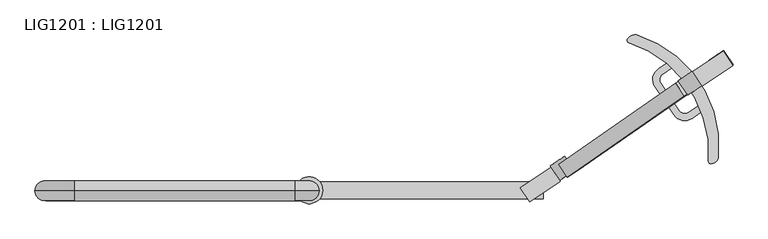
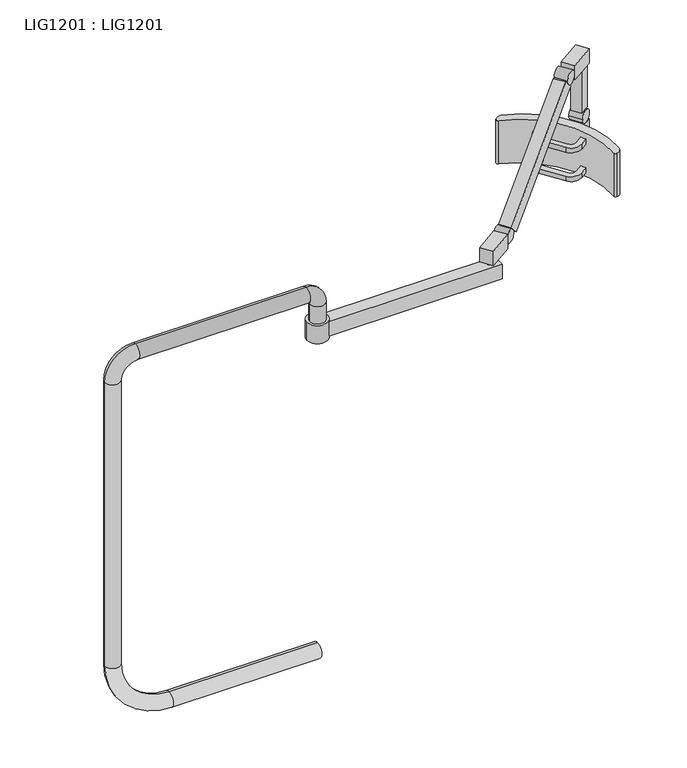
"""IFC4 building model written with IfcOpenShell, lengths in millimetres: proxy geometry, LIG1201 : LIG1201."""

from ifc_helpers import new_model, si_unit, point, frame, frame_2d, origin, place, context, project, spatial, polyline, circle_curve, ellipse_curve, trimmed, segment, composite_curve, outline, extrude, source, transform, mapped, element, save
from ifc_brep_helpers import plane_surface, cylinder_surface, revolved_surface, advanced_brep


def lig1201_lig1201_4019a0c7(model_context):
    return source(origin(), model_context, "Body", "SolidModel", [
        advanced_brep(
        [(560.0796488, -20.1764565, -1555.9143413), (560.0796488, -20.1764565, -1595.9143413), (170.0796488, -20.1764565, -1555.9143413), (170.0796488, -20.1764565, -1595.9143413), (0.0796488, -20.1764565, -1425.9143413), (40.0796488, -20.1764565, -1425.9143413), (40.0796488, -20.1764565, -635.9143413), (0.0796488, -20.1764565, -635.9143413), (80.0796488, -20.1764565, -555.9143413), (80.0796488, -20.1764565, -595.9143413), (530.0796488, -20.1764565, -595.9143413), (530.0796488, -20.1764565, -555.9143413), (580.0796488, -20.1764565, -605.9143413), (540.0796488, -20.1764565, -605.9143413), (540.0796488, -20.1764565, -654.9999476), (580.0796488, -20.1764565, -654.9999476)],
        [
            (0, 1, circle_curve(frame((560.0796488, -20.1764565, -1575.9143413), z_axis=(1.0, 0.0, 0.0), x_axis=(0.0, 0.0, -1.0)), 20.0)),
            (1, 0, circle_curve(frame((560.0796488, -20.1764565, -1575.9143413), z_axis=(1.0, 0.0, 0.0), x_axis=(0.0, 0.0, -1.0)), 20.0)),
            (0, 2),
            (2, 3, circle_curve(frame((170.0796488, -20.1764565, -1575.9143413), z_axis=(1.0, 0.0, 0.0), x_axis=(0.0, 0.0, -1.0)), 20.0)),
            (3, 1),
            (3, 2, circle_curve(frame((170.0796488, -20.1764565, -1575.9143413), z_axis=(1.0, 0.0, 0.0), x_axis=(0.0, 0.0, -1.0)), 20.0)),
            (4, 3, circle_curve(frame((170.0796488, -20.1764565, -1425.9143413), z_axis=(0.0, -1.0, 0.0), x_axis=(0.0, 0.0, -1.0)), 170.0)),
            (2, 5, circle_curve(frame((170.0796488, -20.1764565, -1425.9143413), z_axis=(0.0, 1.0, 0.0), x_axis=(0.0, 0.0, -1.0)), 130.0)),
            (5, 4, circle_curve(frame((20.0796488, -20.1764565, -1425.9143413), z_axis=(0.0, 0.0, -1.0), x_axis=(-1.0, 0.0, 0.0)), 20.0)),
            (4, 5, circle_curve(frame((20.0796488, -20.1764565, -1425.9143413), z_axis=(0.0, 0.0, -1.0), x_axis=(-1.0, 0.0, 0.0)), 20.0)),
            (5, 6),
            (6, 7, circle_curve(frame((20.0796488, -20.1764565, -635.9143413), z_axis=(0.0, 0.0, -1.0), x_axis=(-1.0, 0.0, 0.0)), 20.0)),
            (7, 4),
            (7, 6, circle_curve(frame((20.0796488, -20.1764565, -635.9143413), z_axis=(0.0, 0.0, -1.0), x_axis=(-1.0, 0.0, 0.0)), 20.0)),
            (8, 7, circle_curve(frame((80.0796488, -20.1764565, -635.9143413), z_axis=(0.0, -1.0, 0.0), x_axis=(-1.0, 0.0, 0.0)), 80.0)),
            (6, 9, circle_curve(frame((80.0796488, -20.1764565, -635.9143413), z_axis=(0.0, 1.0, 0.0), x_axis=(-1.0, 0.0, 0.0)), 40.0)),
            (9, 8, circle_curve(frame((80.0796488, -20.1764565, -575.9143413), z_axis=(-1.0, 0.0, 0.0), x_axis=(0.0, 0.0, 1.0)), 20.0)),
            (8, 9, circle_curve(frame((80.0796488, -20.1764565, -575.9143413), z_axis=(-1.0, 0.0, 0.0), x_axis=(0.0, 0.0, 1.0)), 20.0)),
            (9, 10),
            (10, 11, circle_curve(frame((530.0796488, -20.1764565, -575.9143413), z_axis=(-1.0, 0.0, 0.0), x_axis=(0.0, 0.0, 1.0)), 20.0)),
            (11, 8),
            (11, 10, circle_curve(frame((530.0796488, -20.1764565, -575.9143413), z_axis=(-1.0, 0.0, 0.0), x_axis=(0.0, 0.0, 1.0)), 20.0)),
            (12, 11, circle_curve(frame((530.0796488, -20.1764565, -605.9143413), z_axis=(0.0, -1.0, 0.0), x_axis=(0.0, 0.0, 1.0)), 50.0)),
            (10, 13, circle_curve(frame((530.0796488, -20.1764565, -605.9143413), z_axis=(0.0, 1.0, 0.0), x_axis=(0.0, 0.0, 1.0)), 10.0)),
            (13, 12, circle_curve(frame((560.0796488, -20.1764565, -605.9143413), z_axis=(0.0, 0.0, 1.0), x_axis=(1.0, 0.0, 0.0)), 20.0)),
            (12, 13, circle_curve(frame((560.0796488, -20.1764565, -605.9143413), z_axis=(0.0, 0.0, 1.0), x_axis=(1.0, 0.0, 0.0)), 20.0)),
            (14, 15, circle_curve(frame((560.0796488, -20.1764565, -654.9999476), z_axis=(0.0, 0.0, -1.0), x_axis=(1.0, 0.0, 0.0)), 20.0)),
            (15, 14, circle_curve(frame((560.0796488, -20.1764565, -654.9999476), z_axis=(0.0, 0.0, -1.0), x_axis=(1.0, 0.0, 0.0)), 20.0)),
            (13, 14),
            (15, 12),
        ],
        [
            plane_surface(frame((560.0796488, -20.1764565, -1575.9143413), z_axis=(1.0, 0.0, 0.0), x_axis=(0.0, -1.0, 0.0))),
            cylinder_surface(frame((560.0796488, -20.1764565, -1575.9143413), z_axis=(1.0, 0.0, 0.0), x_axis=(0.0, 0.0, -1.0)), 20.0),
            revolved_surface(trimmed(ellipse_curve(frame((170.0796488, -20.1764565, -1575.9143413), z_axis=(1.0, 0.0, 0.0), x_axis=(0.0, 0.0, -1.0)), 20.0, 20.0), [point((170.0796488, -20.1764565, -1555.9143413))], [point((170.0796488, -20.1764565, -1595.9143413))], True, "CARTESIAN"), (170.0796488, -20.1764565, -1425.9143413), (0.0, 1.0, 0.0)),
            revolved_surface(trimmed(ellipse_curve(frame((170.0796488, -20.1764565, -1575.9143413), z_axis=(1.0, 0.0, 0.0), x_axis=(0.0, 0.0, -1.0)), 20.0, 20.0), [point((170.0796488, -20.1764565, -1595.9143413))], [point((170.0796488, -20.1764565, -1555.9143413))], True, "CARTESIAN"), (170.0796488, -20.1764565, -1425.9143413), (0.0, 1.0, 0.0)),
            cylinder_surface(frame((20.0796488, -20.1764565, -1425.9143413), z_axis=(0.0, 0.0, -1.0), x_axis=(-1.0, 0.0, 0.0)), 20.0),
            revolved_surface(trimmed(ellipse_curve(frame((20.0796488, -20.1764565, -635.9143413), z_axis=(0.0, 0.0, -1.0), x_axis=(-1.0, 0.0, 0.0)), 20.0, 20.0), [point((40.0796488, -20.1764565, -635.9143413))], [point((0.0796488, -20.1764565, -635.9143413))], True, "CARTESIAN"), (80.0796488, -20.1764565, -635.9143413), (0.0, 1.0, 0.0)),
            revolved_surface(trimmed(ellipse_curve(frame((20.0796488, -20.1764565, -635.9143413), z_axis=(0.0, 0.0, -1.0), x_axis=(-1.0, 0.0, 0.0)), 20.0, 20.0), [point((0.0796488, -20.1764565, -635.9143413))], [point((40.0796488, -20.1764565, -635.9143413))], True, "CARTESIAN"), (80.0796488, -20.1764565, -635.9143413), (0.0, 1.0, 0.0)),
            cylinder_surface(frame((80.0796488, -20.1764565, -575.9143413), z_axis=(-1.0, 0.0, 0.0), x_axis=(0.0, 0.0, 1.0)), 20.0),
            revolved_surface(trimmed(ellipse_curve(frame((530.0796488, -20.1764565, -575.9143413), z_axis=(-1.0, 0.0, 0.0), x_axis=(0.0, 0.0, 1.0)), 20.0, 20.0), [point((530.0796488, -20.1764565, -595.9143413))], [point((530.0796488, -20.1764565, -555.9143413))], True, "CARTESIAN"), (530.0796488, -20.1764565, -605.9143413), (0.0, 1.0, 0.0)),
            revolved_surface(trimmed(ellipse_curve(frame((530.0796488, -20.1764565, -575.9143413), z_axis=(-1.0, 0.0, 0.0), x_axis=(0.0, 0.0, 1.0)), 20.0, 20.0), [point((530.0796488, -20.1764565, -555.9143413))], [point((530.0796488, -20.1764565, -595.9143413))], True, "CARTESIAN"), (530.0796488, -20.1764565, -605.9143413), (0.0, 1.0, 0.0)),
            plane_surface(frame((560.0796488, -20.1764565, -654.9999476), z_axis=(0.0, 0.0, -1.0), x_axis=(0.0, -1.0, 0.0))),
            cylinder_surface(frame((560.0796488, -20.1764565, -605.9143413), z_axis=(0.0, 0.0, 1.0), x_axis=(1.0, 0.0, 0.0)), 20.0),
        ],
        [
            (0, [[1, 2]]),
            (1, [[-1, 3, 4, 5]]),
            (1, [[-2, -5, 6, -3]]),
            (2, [[7, -4, 8, 9]]),
            (3, [[-8, -6, -7, 10]]),
            (4, [[-9, 11, 12, 13]]),
            (4, [[-10, -13, 14, -11]]),
            (5, [[15, -12, 16, 17]]),
            (6, [[-16, -14, -15, 18]]),
            (7, [[-17, 19, 20, 21]]),
            (7, [[-18, -21, 22, -19]]),
            (8, [[23, -20, 24, 25]]),
            (9, [[-24, -22, -23, 26]]),
            (10, [[27, 28]]),
            (11, [[-25, 29, -28, 30]]),
            (11, [[-26, -30, -27, -29]]),
        ],
    ),
        extrude(outline(polyline([(-38.4581279, 1e-07), (-2.018811, 0.0), (-37.4867654, -364.1484075), (-73.9275108, -364.163074), (-38.4581279, 1e-07)])), frame((1330.1390277, 214.1559795, -408.6661665), z_axis=(0.561592913661984, -0.8272804004768972, 0.014850532361777413), x_axis=(0.5683756678838279, 0.37266981755069717, -0.733530031589943)), (0.0, 0.0, 1.0), 31.5874191),
        extrude(outline(composite_curve([segment(trimmed(circle_curve(frame_2d((560.0796488, -18.9676558)), 27.5), [point((532.5796488, -18.9676558))], [point((587.5796488, -18.9676558))], False, "CARTESIAN"), True, "CONTINUOUS"), segment(trimmed(circle_curve(frame_2d((560.0796488, -18.9676558)), 27.5), [point((587.5796488, -18.9676558))], [point((532.5796488, -18.9676558))], False, "CARTESIAN"), True, "CONTINUOUS")], self_intersect=False)), frame((0.0, 0.0, -704.9999476), z_axis=(0.0, 0.0, 1.0), x_axis=(1.0, 0.0, 0.0)), (0.0, 0.0, 1.0), 50.0),
        extrude(outline(composite_curve([segment(polyline([(1356.8709181, 155.4971291), (1364.7049483, 143.8906274), (1341.4994801, 128.227653)]), True, "CONTINUOUS"), segment(trimmed(circle_curve(frame_2d((1326.393327, 150.6081629)), 27.0015386), [point((1341.4994801, 128.227653))], [point((1304.007667, 135.5096428))], False, "CARTESIAN"), True, "CONTINUOUS"), segment(polyline([(1304.007667, 135.5096428), (1265.9517641, 191.9328222)]), True, "CONTINUOUS"), segment(trimmed(circle_curve(frame_2d((1288.3358146, 207.0302566)), 26.9995971), [point((1265.9517641, 191.9328222))], [point((1273.2380995, 229.4141178))], False, "CARTESIAN"), True, "CONTINUOUS"), segment(polyline([(1273.2380995, 229.4141178), (1296.4527237, 245.072175), (1304.2852325, 233.4597032), (1281.0292599, 217.7737568)]), True, "CONTINUOUS"), segment(trimmed(circle_curve(frame_2d((1288.2712923, 207.0367249)), 12.951096), [point((1281.0292599, 217.7737568))], [point((1277.5346286, 199.7941466))], True, "CARTESIAN"), True, "CONTINUOUS"), segment(polyline([(1277.5346286, 199.7941466), (1315.6142457, 143.3435262)]), True, "CONTINUOUS"), segment(trimmed(circle_curve(frame_2d((1326.3947773, 150.6156963)), 13.0040117), [point((1315.6142457, 143.3435262))], [point((1333.6654499, 139.8341546))], True, "CARTESIAN"), True, "CONTINUOUS"), segment(polyline([(1333.6654499, 139.8341546), (1356.8709181, 155.4971291)]), True, "CONTINUOUS")], self_intersect=False)), frame((0.0, 0.0, -544.9999824), z_axis=(0.0, 0.0, 1.0), x_axis=(1.0, 0.0, 0.0)), (0.0, 0.0, 1.0), 13.3200445),
        extrude(outline(composite_curve([segment(polyline([(1356.8709181, 155.4971291), (1364.7049483, 143.8906274), (1341.4994801, 128.227653)]), True, "CONTINUOUS"), segment(trimmed(circle_curve(frame_2d((1326.393327, 150.6081629)), 27.0015386), [point((1341.4994801, 128.227653))], [point((1304.007667, 135.5096428))], False, "CARTESIAN"), True, "CONTINUOUS"), segment(polyline([(1304.007667, 135.5096428), (1265.9517641, 191.9328222)]), True, "CONTINUOUS"), segment(trimmed(circle_curve(frame_2d((1288.3358146, 207.0302566)), 26.9995971), [point((1265.9517641, 191.9328222))], [point((1273.2380995, 229.4141178))], False, "CARTESIAN"), True, "CONTINUOUS"), segment(polyline([(1273.2380995, 229.4141178), (1296.4527237, 245.072175), (1304.2852325, 233.4597032), (1281.0292599, 217.7737568)]), True, "CONTINUOUS"), segment(trimmed(circle_curve(frame_2d((1288.2712923, 207.0367249)), 12.951096), [point((1281.0292599, 217.7737568))], [point((1277.5346286, 199.7941466))], True, "CARTESIAN"), True, "CONTINUOUS"), segment(polyline([(1277.5346286, 199.7941466), (1315.6142457, 143.3435262)]), True, "CONTINUOUS"), segment(trimmed(circle_curve(frame_2d((1326.3947773, 150.6156963)), 13.0040117), [point((1315.6142457, 143.3435262))], [point((1333.6654499, 139.8341546))], True, "CARTESIAN"), True, "CONTINUOUS"), segment(polyline([(1333.6654499, 139.8341546), (1356.8709181, 155.4971291)]), True, "CONTINUOUS")], self_intersect=False)), frame((0.0, 0.0, -624.9999684), z_axis=(0.0, 0.0, 1.0), x_axis=(1.0, 0.0, 0.0)), (0.0, 0.0, 1.0), 13.3200445),
        extrude(outline(polyline([(1341.4137265, 222.6878087), (1405.1560373, 265.6825402), (1424.7295869, 236.6635597), (1360.987276, 193.6688281), (1341.4137265, 222.6878087)])), frame((0.0, 0.0, -594.9999827), z_axis=(0.0, 0.0, 1.0), x_axis=(1.0, 0.0, 0.0)), (0.0, 0.0, 1.0), 39.999993),
        advanced_brep(
        [(1212.3634813, 283.1663095, -635.1989813), (1209.86091, 290.8258047, -635.1989813), (1227.707546, 298.8362556, -635.1989813), (1395.4648355, 50.125846, -635.1989813), (1380.9985608, 35.4467868, -635.1989813), (1375.0381671, 39.7772662, -635.1989813), (1212.3703779, 283.1640456, -514.8433625), (1375.0381671, 39.7772662, -514.8433625), (1380.9985608, 35.4467868, -514.8433625), (1395.4648355, 50.125846, -514.8433625), (1227.707546, 298.8362556, -514.8433625), (1209.86091, 290.8258047, -514.8433625)],
        [
            (0, 1, circle_curve(frame((1213.9262126, 287.9154751, -635.1989813), z_axis=(0.0, 0.0, -1.0), x_axis=(-0.9876883405951373, -0.15643446504023406, 0.0)), 4.9996704)),
            (1, 2, circle_curve(frame((1225.6580495, 279.5167124, -635.1989813), z_axis=(0.0, 0.0, -1.0), x_axis=(-0.9876883405951373, -0.15643446504023406, 0.0)), 19.4279486)),
            (2, 3, circle_curve(frame((1159.1591654, 71.667724, -635.1989813), z_axis=(0.0, 0.0, -1.0), x_axis=(-0.9876883405951373, -0.15643446504023406, 0.0)), 237.2855289)),
            (3, 4, circle_curve(frame((1379.2878043, 51.6005614, -635.1989813), z_axis=(0.0, 0.0, -1.0), x_axis=(-0.9876883405951373, -0.15643446504023406, 0.0)), 16.2441105)),
            (4, 5, circle_curve(frame((1380.1836037, 40.5922233, -635.1989813), z_axis=(0.0, 0.0, -1.0), x_axis=(-0.9876883405951373, -0.15643446504023406, 0.0)), 5.209575)),
            (5, 0, circle_curve(frame((1138.0974701, 57.4706992, -635.1989813), z_axis=(0.0, 0.0, 1.0), x_axis=(-0.9876883405951373, -0.15643446504023406, 0.0)), 237.6004029)),
            (6, 7, circle_curve(frame((1138.0974701, 57.4706992, -514.8433625), z_axis=(0.0, 0.0, -1.0), x_axis=(-0.9876883405951373, -0.15643446504023406, 0.0)), 237.6004029)),
            (7, 8, circle_curve(frame((1380.1836037, 40.5922233, -514.8433625), z_axis=(0.0, 0.0, 1.0), x_axis=(-0.9876883405951373, -0.15643446504023406, 0.0)), 5.209575)),
            (8, 9, circle_curve(frame((1379.2878043, 51.6005614, -514.8433625), z_axis=(0.0, 0.0, 1.0), x_axis=(-0.9876883405951373, -0.15643446504023406, 0.0)), 16.2441105)),
            (9, 10, circle_curve(frame((1159.1591654, 71.667724, -514.8433625), z_axis=(0.0, 0.0, 1.0), x_axis=(-0.9876883405951373, -0.15643446504023406, 0.0)), 237.2855289)),
            (10, 11, circle_curve(frame((1225.6580495, 279.5167124, -514.8433625), z_axis=(0.0, 0.0, 1.0), x_axis=(-0.9876883405951373, -0.15643446504023406, 0.0)), 19.4279486)),
            (11, 6, circle_curve(frame((1213.9262126, 287.9154751, -514.8433625), z_axis=(0.0, 0.0, 1.0), x_axis=(-0.9876883405951373, -0.15643446504023406, 0.0)), 4.9996704)),
            (6, 0),
            (5, 7),
            (4, 8),
            (3, 9),
            (2, 10),
            (1, 11),
        ],
        [
            plane_surface(frame((903.4223224, 20.3018072, -635.1989813), z_axis=(0.0, 0.0, -1.0), x_axis=(0.15643446504023403, -0.9876883405951372, 0.0))),
            plane_surface(frame((903.4223224, 20.3018072, -514.8433625), z_axis=(0.0, 0.0, 1.0), x_axis=(-0.15643446504023403, 0.9876883405951372, 0.0))),
            revolved_surface(polyline([(903.422322434963, 20.301807278994417, -635.1989813), (903.422322434963, 20.301807278994417, -514.8433625)]), (1138.0974701, 57.4706992, -635.1989813), (0.0, 0.0, -1.0000000000000002)),
            cylinder_surface(frame((1380.1836037, 40.5922233, -635.1989813), z_axis=(0.0, 0.0, 1.0000000000000002), x_axis=(-0.9876883405951373, -0.15643446504023406, 0.0)), 5.209575),
            cylinder_surface(frame((1379.2878043, 51.6005614, -635.1989813), z_axis=(0.0, 0.0, 1.0000000000000002), x_axis=(-0.9876883405951373, -0.15643446504023406, 0.0)), 16.2441105),
            cylinder_surface(frame((1159.1591654, 71.667724, -635.1989813), z_axis=(0.0, 0.0, 1.0000000000000002), x_axis=(-0.9876883405951373, -0.15643446504023406, 0.0)), 237.2855289),
            cylinder_surface(frame((1225.6580495, 279.5167124, -635.1989813), z_axis=(0.0, 0.0, 1.0000000000000002), x_axis=(-0.9876883405951373, -0.15643446504023406, 0.0)), 19.4279486),
            cylinder_surface(frame((1213.9262126, 287.9154751, -635.1989813), z_axis=(0.0, 0.0, 1.0000000000000002), x_axis=(-0.9876883405951373, -0.15643446504023406, 0.0)), 4.9996704),
        ],
        [
            (0, [[1, 2, 3, 4, 5, 6]]),
            (1, [[7, 8, 9, 10, 11, 12]]),
            (2, [[-7, 13, -6, 14]]),
            (3, [[-8, -14, -5, 15]]),
            (4, [[-9, -15, -4, 16]]),
            (5, [[-10, -16, -3, 17]]),
            (6, [[-11, -17, -2, 18]]),
            (7, [[-12, -18, -1, -13]]),
        ],
    ),
        extrude(outline(polyline([(1037.3998685, -1.4676555), (1037.3998685, -36.4676562), (580.0796488, -36.4676562), (580.0796488, -1.4676555), (1037.3998685, -1.4676555)])), frame((0.0, 0.0, -699.999969), z_axis=(0.0, 0.0, 1.0), x_axis=(1.0, 0.0, 0.0)), (0.0, 0.0, 1.0), 40.0000294),
        extrude(outline(polyline([(1403.9396804, 260.4611317), (1419.5974575, 237.2475225), (1394.7263303, 220.4717354), (1379.0685532, 243.6853446), (1403.9396804, 260.4611317)])), frame((0.0, 0.0, -520.2988823), z_axis=(0.0, 0.0, 1.0), x_axis=(1.0, 0.0, 0.0)), (0.0, 0.0, 1.0), 120.298952),
        extrude(outline(polyline([(1342.612739, 223.3230027), (1404.7905569, 265.2624704), (1424.3641065, 236.2434899), (1362.1862885, 194.3040221), (1342.612739, 223.3230027)])), frame((0.0, 0.0, -399.9999304), z_axis=(0.0, 0.0, 1.0), x_axis=(1.0, 0.0, 0.0)), (0.0, 0.0, 1.0), 39.999993),
        extrude(outline(composite_curve([segment(trimmed(circle_curve(frame_2d((0.0, -17.4999654)), 17.4999655), [point((0.0, -34.999931))], [point((0.0, 0.0))], False, "CARTESIAN"), True, "CONTINUOUS"), segment(trimmed(circle_curve(frame_2d((0.0, -17.4999654)), 17.4999655), [point((0.0, 0.0))], [point((0.0, -34.999931))], False, "CARTESIAN"), True, "CONTINUOUS")], self_intersect=False)), frame((1332.5073729, 175.6096031, -382.0032832), z_axis=(-0.554767577765324, 0.832005369369931, 0.0), x_axis=(0.0, 0.0, -1.0)), (0.0, 0.0, 1.0), 35.0445151),
        extrude(outline(composite_curve([segment(trimmed(circle_curve(frame_2d((0.0, -17.4999655)), 17.4999655), [point((0.0, -34.999931))], [point((0.0, 0.0))], False, "CARTESIAN"), True, "CONTINUOUS"), segment(trimmed(circle_curve(frame_2d((0.0, -17.4999655)), 17.4999655), [point((0.0, 0.0))], [point((0.0, -34.999931))], False, "CARTESIAN"), True, "CONTINUOUS")], self_intersect=False)), frame((1071.8797468, 1.8808664, -627.4598377), z_axis=(-0.554767577765324, 0.832005369369931, 0.0), x_axis=(0.0, 0.0, -1.0)), (0.0, 0.0, 1.0), 35.0445151),
        extrude(outline(composite_curve([segment(trimmed(circle_curve(frame_2d((0.0, -17.4999655)), 17.4999655), [point((0.0, -34.999931))], [point((0.0, 0.0))], False, "CARTESIAN"), True, "CONTINUOUS"), segment(trimmed(circle_curve(frame_2d((0.0, -17.4999655)), 17.4999655), [point((0.0, 0.0))], [point((0.0, -34.999931))], False, "CARTESIAN"), True, "CONTINUOUS")], self_intersect=False)), frame((1396.2143725, 218.1953957, -537.4999476), z_axis=(-0.554767577765324, 0.832005369369931, 0.0), x_axis=(0.0, 0.0, -1.0)), (0.0, 0.0, 1.0), 35.0445151),
        extrude(outline(polyline([(990.5750725, -14.1390421), (1052.7528904, 27.8004256), (1072.3264399, -1.2185549), (1010.148622, -43.1580227), (990.5750725, -14.1390421)])), frame((0.0, 0.0, -649.9999476), z_axis=(0.0, 0.0, 1.0), x_axis=(1.0, 0.0, 0.0)), (0.0, 0.0, 1.0), 40.0000084),
        extrude(outline(composite_curve([segment(trimmed(circle_curve(frame_2d((1015.0796488, -18.9676558)), 7.5), [point((1007.5796488, -18.9676558))], [point((1022.5796488, -18.9676558))], False, "CARTESIAN"), True, "CONTINUOUS"), segment(trimmed(circle_curve(frame_2d((1015.0796488, -18.9676558)), 7.5), [point((1022.5796488, -18.9676558))], [point((1007.5796488, -18.9676558))], False, "CARTESIAN"), True, "CONTINUOUS")], self_intersect=False)), frame((0.0, 0.0, -659.9999476), z_axis=(0.0, 0.0, 1.0), x_axis=(1.0, 0.0, 0.0)), (0.0, 0.0, 1.0), 10.0),
    ])


if __name__ == "__main__":
    model = new_model("IFC4")
    model_context = context("Model", 3, world=origin())
    ifc_project = project(units=[si_unit("LENGTHUNIT", "METRE", prefix="MILLI")], contexts=[model_context])
    site = spatial("IfcSite", under=ifc_project)
    building = spatial("IfcBuilding", under=site)
    placement = place(None, origin())
    lig1201_lig1201_shape = lig1201_lig1201_4019a0c7(model_context)
    element("IfcBuildingElementProxy", 1, Name="LIG1201 : LIG1201", ObjectType="LIG1201 : LIG1201", at=placement, inside=building, context=model_context, shape_type="MappedRepresentation", body=[
        mapped(lig1201_lig1201_shape, transform((0.0, 0.0, 0.0), x_axis=(1.0, 0.0, 0.0), y_axis=(0.0, 1.0, 0.0), z_axis=(0.0, 0.0, 1.0))),
    ])
    save(model, "model.ifc")
